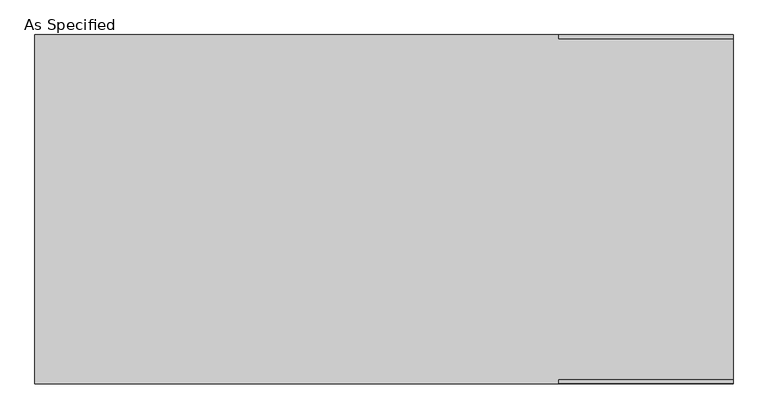
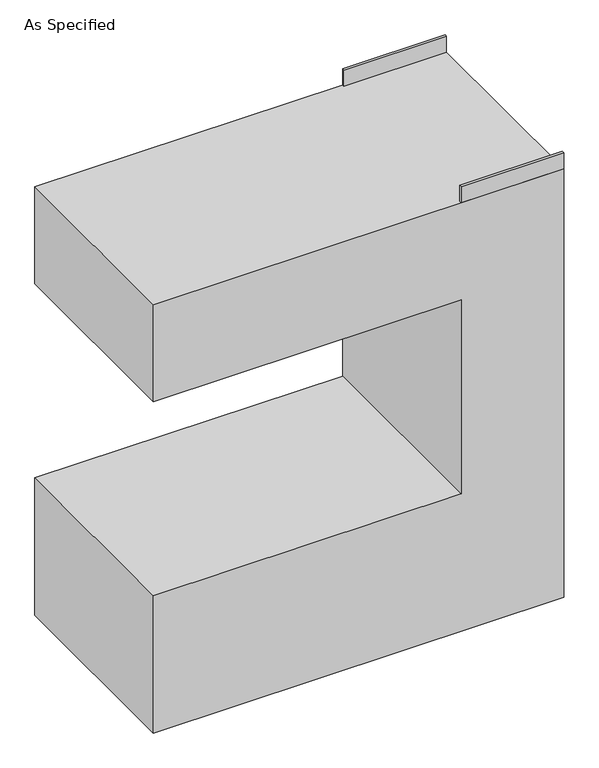
"""IFC4 building model written with IfcOpenShell, lengths in millimetres: proxy geometry, As Specified."""

from ifc_helpers import new_model, si_unit, frame, origin, place, context, project, spatial, polyline, outline, extrude, source, transform, mapped, element, save


def as_specified_9f893c77(model_context):
    return source(origin(), model_context, "Body", "SweptSolid", [
        extrude(outline(polyline([(304.8, 298.45), (304.8, 304.8), (609.6, 304.8), (609.6, 298.45), (304.8, 298.45)])), frame((0.0, 0.0, 1346.2), z_axis=(0.0, 0.0, 1.0), x_axis=(1.0, 0.0, 0.0)), (0.0, 0.0, 1.0), 50.8),
        extrude(outline(polyline([(304.8, -304.8), (304.8, -298.45), (609.6, -298.45), (609.6, -304.8), (304.8, -304.8)])), frame((0.0, 0.0, 1346.2), z_axis=(0.0, 0.0, 1.0), x_axis=(1.0, 0.0, 0.0)), (0.0, 0.0, 1.0), 50.8),
        extrude(outline(polyline([(1346.2, 609.6), (1346.2, -609.6), (1041.4, -609.6), (1041.4, 304.8), (431.8, 304.8), (431.8, -609.6), (0.0, -609.6), (0.0, 609.6), (1346.2, 609.6)])), frame((0.0, -304.8, 0.0), z_axis=(0.0, 1.0, 0.0), x_axis=(0.0, 0.0, 1.0)), (0.0, 0.0, 1.0), 609.6),
    ])


if __name__ == "__main__":
    model = new_model("IFC4")
    model_context = context("Model", 3, world=origin())
    ifc_project = project(units=[si_unit("LENGTHUNIT", "METRE", prefix="MILLI")], contexts=[model_context])
    site = spatial("IfcSite", under=ifc_project)
    building = spatial("IfcBuilding", under=site)
    placement = place(None, origin())
    as_specified_shape = as_specified_9f893c77(model_context)
    element("IfcBuildingElementProxy", 1, Name="As Specified", ObjectType="As Specified", at=placement, inside=building, context=model_context, shape_type="MappedRepresentation", body=[
        mapped(as_specified_shape, transform((0.0, 0.0, 0.0), x_axis=(1.0, 0.0, 0.0), y_axis=(0.0, 1.0, 0.0), z_axis=(0.0, 0.0, 1.0))),
    ])
    save(model, "model.ifc")
